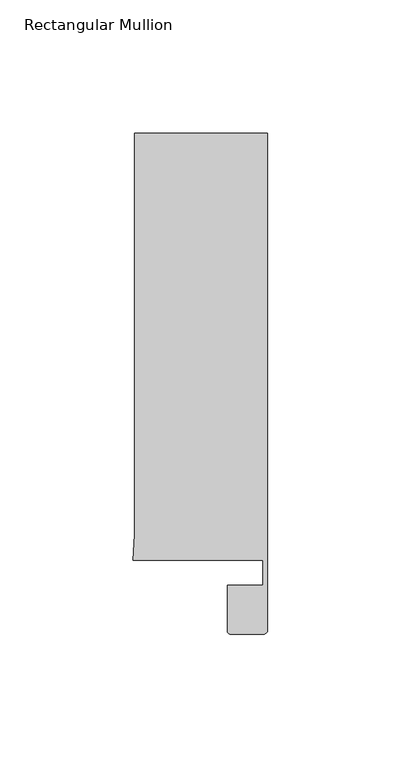
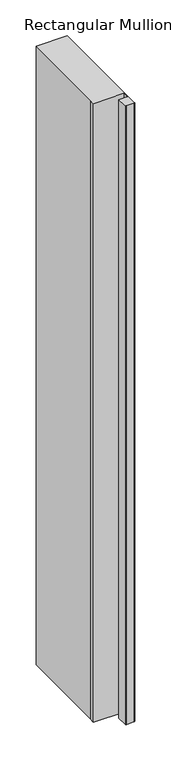
"""IFC4 building model written with IfcOpenShell, lengths in millimetres: member geometry, Rectangular Mullion."""

from ifc_helpers import new_model, si_unit, frame, origin, place, context, project, spatial, circle_curve, source, transform, mapped, element, save
from ifc_brep_helpers import plane_surface, cylinder_surface, advanced_brep


def rectangular_mullion_c830ebd1(model_context):
    return source(origin(), model_context, "Body", "AdvancedBrep", [
        advanced_brep(
        [(0.0, 173.9954336, 0.0), (-50.0, 173.9954336, 0.0), (-50.0, 23.4857001, 0.0), (-50.4480466, 14.0, 0.0), (-1.8004864, 14.0, 0.0), (-1.8004864, 4.6022209, 0.0), (-15.0004864, 4.6022209, 0.0), (-15.0004864, -12.8070627, 0.0), (-14.000243, -13.8070627, 0.0), (-1.5004864, -13.8070627, 0.0), (-0.0004864, -12.3070627, 0.0), (-0.0004864, 14.0, 0.0), (0.0, 173.9954336, -1050.0), (0.0, 13.9954336, -1050.0), (-0.0004864, -12.3070627, -1050.0), (-1.5004864, -13.8070627, -1050.0), (-14.000243, -13.8070627, -1050.0), (-15.000243, -12.8070627, -1050.0), (-15.0004864, 4.6022209, -1050.0), (-1.8004864, 4.6022209, -1050.0), (-1.8004864, 14.0, -1050.0), (-50.4480466, 14.0, -1050.0), (-50.0, 23.4857001, -1050.0), (-50.0, 173.9954336, -1050.0)],
        [
            (0, 1),
            (1, 2),
            (2, 3),
            (3, 4),
            (4, 5),
            (5, 6),
            (6, 7),
            (7, 8, circle_curve(frame((-14.000243, -12.8070627, 0.0), z_axis=(0.0, 0.0, 1.0), x_axis=(1.0, 0.0, 0.0)), 1.0)),
            (8, 9),
            (9, 10, circle_curve(frame((-1.5004864, -12.3070627, 0.0), z_axis=(0.0, 0.0, 1.0), x_axis=(1.0, 0.0, 0.0)), 1.5)),
            (10, 11),
            (11, 0),
            (12, 13),
            (13, 14),
            (14, 15, circle_curve(frame((-1.5004864, -12.3070627, -1050.0), z_axis=(0.0, 0.0, -1.0), x_axis=(1.0, 0.0, 0.0)), 1.5)),
            (15, 16),
            (16, 17, circle_curve(frame((-14.000243, -12.8070627, -1050.0), z_axis=(0.0, 0.0, -1.0), x_axis=(1.0, 0.0, 0.0)), 1.0)),
            (17, 18),
            (18, 19),
            (19, 20),
            (20, 21),
            (21, 22),
            (22, 23),
            (23, 12),
            (0, 12),
            (23, 1),
            (22, 2),
            (21, 3),
            (20, 4),
            (19, 5),
            (18, 6),
            (17, 7),
            (16, 8),
            (15, 9),
            (14, 10),
            (13, 11),
        ],
        [
            plane_surface(frame((0.0, -181.0370429, 0.0), z_axis=(0.0, 0.0, 1.0), x_axis=(-1.0, 0.0, 0.0))),
            plane_surface(frame((0.0, -181.0370429, -1050.0), z_axis=(0.0, 0.0, -1.0), x_axis=(-1.0, 0.0, 0.0))),
            plane_surface(frame((0.0, 173.9954336, 0.0), z_axis=(0.0, 1.0, 0.0), x_axis=(0.0, 0.0, -1.0))),
            plane_surface(frame((-50.0, 173.9954336, 0.0), z_axis=(-1.0, 0.0, 0.0), x_axis=(0.0, 0.0, -1.0))),
            plane_surface(frame((-50.0, 23.4857001, 0.0), z_axis=(-0.9988863426396707, 0.04718129383497829, 0.0), x_axis=(0.0, 0.0, -1.0))),
            plane_surface(frame((-50.4480466, 14.0, 0.0), z_axis=(0.0, -1.0, 0.0), x_axis=(0.0, 0.0, -1.0))),
            plane_surface(frame((-1.8004864, 14.0, 0.0), z_axis=(-1.0, 0.0, 0.0), x_axis=(0.0, 0.0, -1.0))),
            plane_surface(frame((-1.8004864, 4.6022209, 0.0), z_axis=(0.0, 1.0, 0.0), x_axis=(0.0, 0.0, -1.0))),
            plane_surface(frame((-15.0004864, 4.6022209, 0.0), z_axis=(-1.0, 0.0, 0.0), x_axis=(0.0, 0.0, -1.0))),
            cylinder_surface(frame((-14.000243, -12.8070627, 0.0), z_axis=(0.0, 0.0, 1.0), x_axis=(1.0, 0.0, 0.0)), 1.0),
            plane_surface(frame((-14.000243, -13.8070627, 0.0), z_axis=(0.0, -1.0, 0.0), x_axis=(0.0, 0.0, -1.0))),
            cylinder_surface(frame((-1.5004864, -12.3070627, 0.0), z_axis=(0.0, 0.0, 1.0), x_axis=(1.0, 0.0, 0.0)), 1.5),
            plane_surface(frame((-0.0004864, -12.3070627, 0.0), z_axis=(1.0, 0.0, 0.0), x_axis=(0.0, 0.0, -1.0))),
            plane_surface(frame((0.0, 13.9954336, 0.0), z_axis=(1.0, 0.0, 0.0), x_axis=(0.0, 0.0, -1.0))),
        ],
        [
            (0, [[1, 2, 3, 4, 5, 6, 7, 8, 9, 10, 11, 12]]),
            (1, [[13, 14, 15, 16, 17, 18, 19, 20, 21, 22, 23, 24]]),
            (2, [[-1, 25, -24, 26]]),
            (3, [[-2, -26, -23, 27]]),
            (4, [[-3, -27, -22, 28]]),
            (5, [[-4, -28, -21, 29]]),
            (6, [[-5, -29, -20, 30]]),
            (7, [[-6, -30, -19, 31]]),
            (8, [[-7, -31, -18, 32]]),
            (9, [[-8, -32, -17, 33]]),
            (10, [[-9, -33, -16, 34]]),
            (11, [[-10, -34, -15, 35]]),
            (12, [[-11, -35, -14, 36]]),
            (13, [[-12, -36, -13, -25]]),
        ],
    ),
    ])


if __name__ == "__main__":
    model = new_model("IFC4")
    model_context = context("Model", 3, world=origin())
    ifc_project = project(units=[si_unit("LENGTHUNIT", "METRE", prefix="MILLI")], contexts=[model_context])
    site = spatial("IfcSite", under=ifc_project)
    building = spatial("IfcBuilding", under=site)
    placement = place(None, origin())
    rectangular_mullion_shape = rectangular_mullion_c830ebd1(model_context)
    element("IfcMember", 1, ObjectType="Rectangular Mullion", at=placement, inside=building, context=model_context, shape_type="MappedRepresentation", body=[
        mapped(rectangular_mullion_shape, transform((0.0, 0.0, 0.0), x_axis=(1.0, 0.0, 0.0), y_axis=(0.0, 1.0, 0.0), z_axis=(0.0, 0.0, 1.0))),
    ])
    save(model, "model.ifc")
